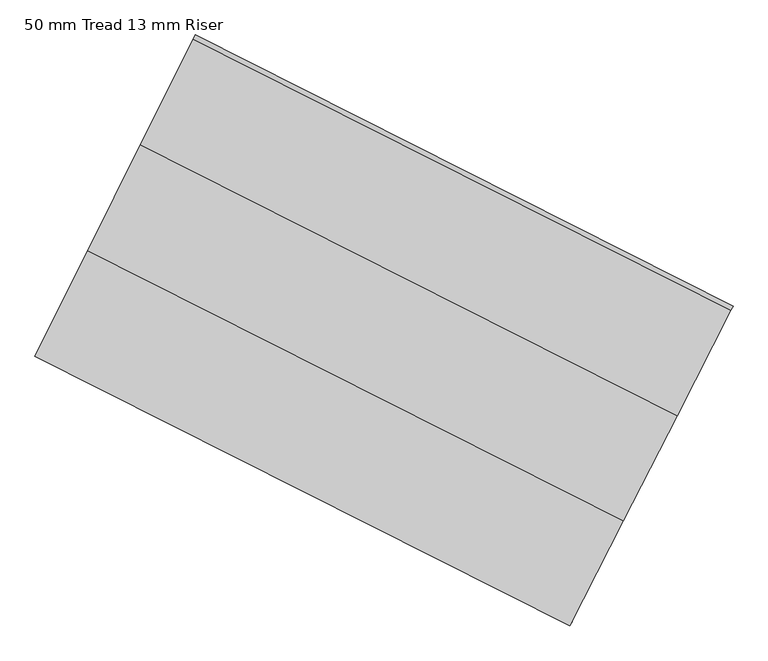
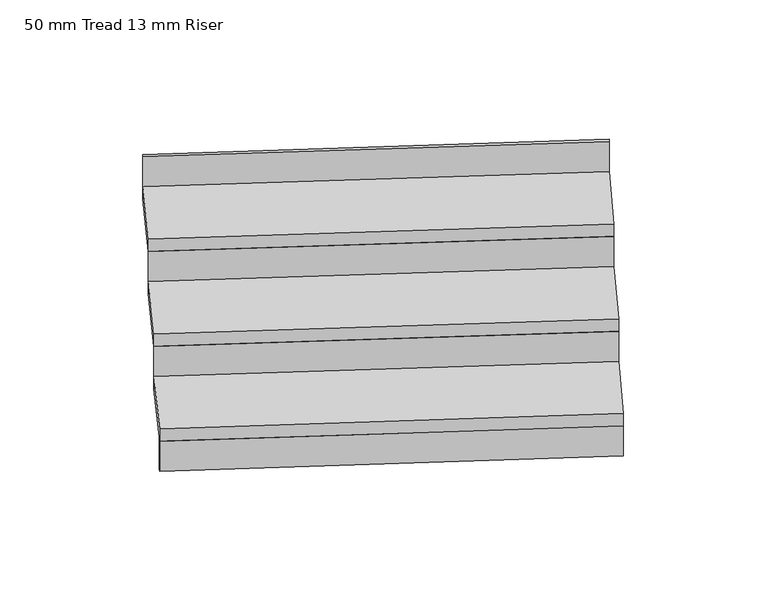
"""IFC4 building model written with IfcOpenShell, lengths in millimetres: stair flight geometry, 50 mm Tread 13 mm Riser."""

from ifc_helpers import new_model, si_unit, frame, origin, origin_with_axes, place, context, project, spatial, polyline, outline, extrude, source, transform, mapped, element, save


def stair_flight_50_mm_tread_13_mm_riser_9f589e40(model_context):
    return source(origin(), model_context, "Body", "SweptSolid", [
        extrude(outline(polyline([(-295209.9605682, 62901.693982), (-295215.6435079, 62890.560338), (-296574.5444416, 63575.7195922), (-296568.9602178, 63586.903009), (-295209.9605682, 62901.693982)])), origin_with_axes(), (0.0, 0.0, 1.0), 120.0),
        extrude(outline(polyline([(-296440.5230715, 63844.1215944), (-295079.2529552, 63157.7677958), (-295215.6435079, 62890.560338), (-296574.5444416, 63575.7195922), (-296440.5230715, 63844.1215944)])), frame((0.0, 0.0, 120.0), z_axis=(0.0, 0.0, 1.0), x_axis=(1.0, 0.0, 0.0)), (0.0, 0.0, 1.0), 50.0),
        extrude(outline(polyline([(-295073.5700155, 63168.9014399), (-295079.2529552, 63157.7677958), (-296440.5230715, 63844.1215944), (-296434.9388477, 63855.3050111), (-295073.5700155, 63168.9014399)])), frame((0.0, 0.0, 120.0), z_axis=(0.0, 0.0, 1.0), x_axis=(1.0, 0.0, 0.0)), (0.0, 0.0, 1.0), 170.0),
        extrude(outline(polyline([(-296306.5017013, 64112.5235965), (-294942.8624025, 63424.9752537), (-295079.2529552, 63157.7677958), (-296440.5230715, 63844.1215944), (-296306.5017013, 64112.5235965)])), frame((0.0, 0.0, 290.0), z_axis=(0.0, 0.0, 1.0), x_axis=(1.0, 0.0, 0.0)), (0.0, 0.0, 1.0), 50.0),
        extrude(outline(polyline([(-294937.1794628, 63436.1088977), (-294942.8624025, 63424.9752537), (-296306.5017013, 64112.5235965), (-296300.9174776, 64123.7070133), (-294937.1794628, 63436.1088977)])), frame((0.0, 0.0, 290.0), z_axis=(0.0, 0.0, 1.0), x_axis=(1.0, 0.0, 0.0)), (0.0, 0.0, 1.0), 170.0),
        extrude(outline(polyline([(-294800.78891, 63703.3163556), (-294806.4718497, 63692.1827115), (-296172.4803312, 64380.9255987), (-296166.8961075, 64392.1090155), (-294800.78891, 63703.3163556)])), frame((0.0, 0.0, 460.0), z_axis=(0.0, 0.0, 1.0), x_axis=(1.0, 0.0, 0.0)), (0.0, 0.0, 1.0), 170.0),
        extrude(outline(polyline([(-296172.4803312, 64380.9255987), (-294806.4718497, 63692.1827115), (-294942.8624025, 63424.9752537), (-296306.5017013, 64112.5235965), (-296172.4803312, 64380.9255987)])), frame((0.0, 0.0, 460.0), z_axis=(0.0, 0.0, 1.0), x_axis=(1.0, 0.0, 0.0)), (0.0, 0.0, 1.0), 50.0),
    ])


if __name__ == "__main__":
    model = new_model("IFC4")
    model_context = context("Model", 3, world=origin())
    ifc_project = project(units=[si_unit("LENGTHUNIT", "METRE", prefix="MILLI")], contexts=[model_context])
    site = spatial("IfcSite", under=ifc_project)
    building = spatial("IfcBuilding", under=site)
    placement = place(None, origin())
    stair_flight_50_mm_tread_13_mm_riser_shape = stair_flight_50_mm_tread_13_mm_riser_9f589e40(model_context)
    element("IfcStairFlight", 1, ObjectType="50 mm Tread 13 mm Riser", at=placement, inside=building, context=model_context, shape_type="MappedRepresentation", body=[
        mapped(stair_flight_50_mm_tread_13_mm_riser_shape, transform((0.0, 0.0, 0.0), x_axis=(1.0, 0.0, 0.0), y_axis=(0.0, 1.0, 0.0), z_axis=(0.0, 0.0, 1.0))),
    ])
    save(model, "model.ifc")
